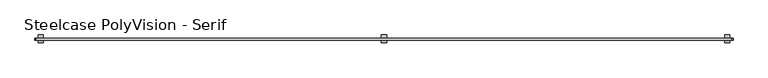
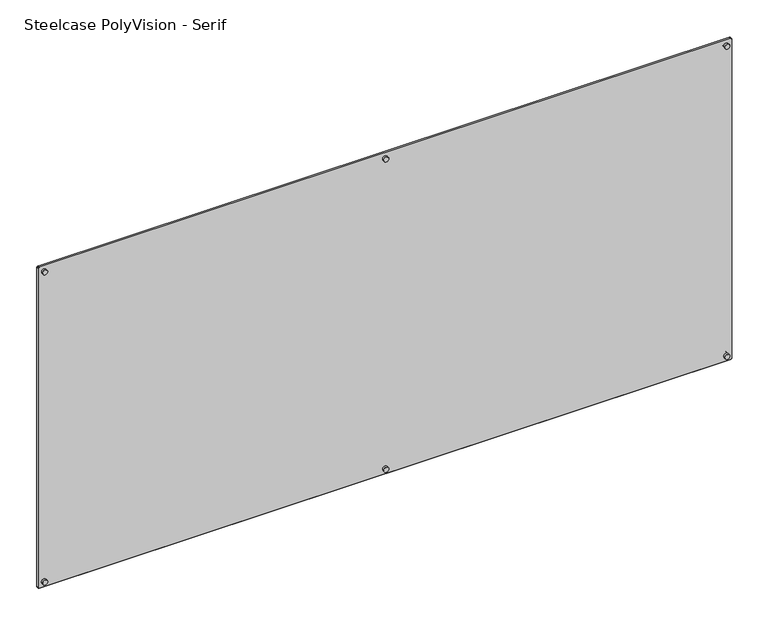
"""IFC4 building model written with IfcOpenShell, lengths in millimetres: furniture geometry, Steelcase PolyVision - Serif."""

from ifc_helpers import new_model, si_unit, point, frame, frame_2d, origin, place, context, project, spatial, polyline, circle_curve, trimmed, segment, composite_curve, outline, extrude, source, transform, mapped, element, save


def steelcase_polyvision_serif_7f865411(model_context):
    return source(origin(), model_context, "Body", "SweptSolid", [
        extrude(outline(composite_curve([segment(trimmed(circle_curve(frame_2d((1834.896, 1210.056)), 8.89), [point((1834.896, 1218.946))], [point((1834.896, 1201.166))], False, "CARTESIAN"), True, "CONTINUOUS"), segment(trimmed(circle_curve(frame_2d((1834.896, 1210.056)), 8.89), [point((1834.896, 1201.166))], [point((1834.896, 1218.946))], False, "CARTESIAN"), True, "CONTINUOUS")], self_intersect=False)), frame((0.0, -10.5767859, 0.0), z_axis=(0.0, 1.0, 0.0), x_axis=(0.0, 0.0, 1.0)), (0.0, 0.0, 1.0), 11.7599214),
        extrude(outline(composite_curve([segment(trimmed(circle_curve(frame_2d((690.118, 1210.056)), 8.89), [point((690.118, 1218.946))], [point((690.118, 1201.166))], False, "CARTESIAN"), True, "CONTINUOUS"), segment(trimmed(circle_curve(frame_2d((690.118, 1210.056)), 8.89), [point((690.118, 1201.166))], [point((690.118, 1218.946))], False, "CARTESIAN"), True, "CONTINUOUS")], self_intersect=False)), frame((0.0, -10.5767859, 0.0), z_axis=(0.0, 1.0, 0.0), x_axis=(0.0, 0.0, 1.0)), (0.0, 0.0, 1.0), 11.7599214),
        extrude(outline(composite_curve([segment(trimmed(circle_curve(frame_2d((1834.896, 1210.056)), 8.89), [point((1834.896, 1218.946))], [point((1834.896, 1201.166))], False, "CARTESIAN"), True, "CONTINUOUS"), segment(trimmed(circle_curve(frame_2d((1834.896, 1210.056)), 8.89), [point((1834.896, 1201.166))], [point((1834.896, 1218.946))], False, "CARTESIAN"), True, "CONTINUOUS")], self_intersect=False)), frame((0.0, -25.8776038, 0.0), z_axis=(0.0, 1.0, 0.0), x_axis=(0.0, 0.0, 1.0)), (0.0, 0.0, 1.0), 8.0006457),
        extrude(outline(composite_curve([segment(trimmed(circle_curve(frame_2d((690.118, 1210.056)), 8.89), [point((690.118, 1218.946))], [point((690.118, 1201.166))], False, "CARTESIAN"), True, "CONTINUOUS"), segment(trimmed(circle_curve(frame_2d((690.118, 1210.056)), 8.89), [point((690.118, 1201.166))], [point((690.118, 1218.946))], False, "CARTESIAN"), True, "CONTINUOUS")], self_intersect=False)), frame((0.0, -25.8776038, 0.0), z_axis=(0.0, 1.0, 0.0), x_axis=(0.0, 0.0, 1.0)), (0.0, 0.0, 1.0), 8.0006457),
        extrude(outline(composite_curve([segment(trimmed(circle_curve(frame_2d((1834.896, 20.006283)), 8.6933487), [point((1834.896, 28.6996317))], [point((1834.896, 11.3129344))], False, "CARTESIAN"), True, "CONTINUOUS"), segment(trimmed(circle_curve(frame_2d((1834.896, 20.006283)), 8.6933487), [point((1834.896, 11.3129344))], [point((1834.896, 28.6996317))], False, "CARTESIAN"), True, "CONTINUOUS")], self_intersect=False)), frame((0.0, -10.5767859, 0.0), z_axis=(0.0, 1.0, 0.0), x_axis=(0.0, 0.0, 1.0)), (0.0, 0.0, 1.0), 11.7599214),
        extrude(outline(composite_curve([segment(trimmed(circle_curve(frame_2d((690.118, 20.006283)), 8.89), [point((690.118, 28.896283))], [point((690.118, 11.116283))], False, "CARTESIAN"), True, "CONTINUOUS"), segment(trimmed(circle_curve(frame_2d((690.118, 20.006283)), 8.89), [point((690.118, 11.116283))], [point((690.118, 28.896283))], False, "CARTESIAN"), True, "CONTINUOUS")], self_intersect=False)), frame((0.0, -10.5767859, 0.0), z_axis=(0.0, 1.0, 0.0), x_axis=(0.0, 0.0, 1.0)), (0.0, 0.0, 1.0), 11.7599214),
        extrude(outline(composite_curve([segment(trimmed(circle_curve(frame_2d((1834.896, 2400.105717)), 8.6933487), [point((1834.896, 2408.7990656))], [point((1834.896, 2391.4123683))], False, "CARTESIAN"), True, "CONTINUOUS"), segment(trimmed(circle_curve(frame_2d((1834.896, 2400.105717)), 8.6933487), [point((1834.896, 2391.4123683))], [point((1834.896, 2408.7990656))], False, "CARTESIAN"), True, "CONTINUOUS")], self_intersect=False)), frame((0.0, -10.5767859, 0.0), z_axis=(0.0, 1.0, 0.0), x_axis=(0.0, 0.0, 1.0)), (0.0, 0.0, 1.0), 11.7599214),
        extrude(outline(composite_curve([segment(trimmed(circle_curve(frame_2d((690.118, 2400.105717)), 8.89), [point((690.118, 2408.995717))], [point((690.118, 2391.215717))], False, "CARTESIAN"), True, "CONTINUOUS"), segment(trimmed(circle_curve(frame_2d((690.118, 2400.105717)), 8.89), [point((690.118, 2391.215717))], [point((690.118, 2408.995717))], False, "CARTESIAN"), True, "CONTINUOUS")], self_intersect=False)), frame((0.0, -10.5767859, 0.0), z_axis=(0.0, 1.0, 0.0), x_axis=(0.0, 0.0, 1.0)), (0.0, 0.0, 1.0), 11.7599214),
        extrude(outline(composite_curve([segment(trimmed(circle_curve(frame_2d((1834.896, 20.006283)), 8.6933487), [point((1834.896, 28.6996317))], [point((1834.896, 11.3129344))], False, "CARTESIAN"), True, "CONTINUOUS"), segment(trimmed(circle_curve(frame_2d((1834.896, 20.006283)), 8.6933487), [point((1834.896, 11.3129344))], [point((1834.896, 28.6996317))], False, "CARTESIAN"), True, "CONTINUOUS")], self_intersect=False)), frame((0.0, -25.8776038, 0.0), z_axis=(0.0, 1.0, 0.0), x_axis=(0.0, 0.0, 1.0)), (0.0, 0.0, 1.0), 8.0006457),
        extrude(outline(composite_curve([segment(trimmed(circle_curve(frame_2d((690.118, 20.006283)), 8.89), [point((690.118, 28.896283))], [point((690.118, 11.116283))], False, "CARTESIAN"), True, "CONTINUOUS"), segment(trimmed(circle_curve(frame_2d((690.118, 20.006283)), 8.89), [point((690.118, 11.116283))], [point((690.118, 28.896283))], False, "CARTESIAN"), True, "CONTINUOUS")], self_intersect=False)), frame((0.0, -25.8776038, 0.0), z_axis=(0.0, 1.0, 0.0), x_axis=(0.0, 0.0, 1.0)), (0.0, 0.0, 1.0), 8.0006457),
        extrude(outline(composite_curve([segment(trimmed(circle_curve(frame_2d((1834.896, 2400.105717)), 8.6933487), [point((1834.896, 2408.7990656))], [point((1834.896, 2391.4123683))], False, "CARTESIAN"), True, "CONTINUOUS"), segment(trimmed(circle_curve(frame_2d((1834.896, 2400.105717)), 8.6933487), [point((1834.896, 2391.4123683))], [point((1834.896, 2408.7990656))], False, "CARTESIAN"), True, "CONTINUOUS")], self_intersect=False)), frame((0.0, -25.8776038, 0.0), z_axis=(0.0, 1.0, 0.0), x_axis=(0.0, 0.0, 1.0)), (0.0, 0.0, 1.0), 8.0006457),
        extrude(outline(composite_curve([segment(trimmed(circle_curve(frame_2d((690.118, 2400.105717)), 8.89), [point((690.118, 2408.995717))], [point((690.118, 2391.215717))], False, "CARTESIAN"), True, "CONTINUOUS"), segment(trimmed(circle_curve(frame_2d((690.118, 2400.105717)), 8.89), [point((690.118, 2391.215717))], [point((690.118, 2408.995717))], False, "CARTESIAN"), True, "CONTINUOUS")], self_intersect=False)), frame((0.0, -25.8776038, 0.0), z_axis=(0.0, 1.0, 0.0), x_axis=(0.0, 0.0, 1.0)), (0.0, 0.0, 1.0), 8.0006457),
        extrude(outline(composite_curve([segment(polyline([(1850.898, 0.254), (674.116, 0.254)]), True, "CONTINUOUS"), segment(trimmed(circle_curve(frame_2d((674.116, 4.064)), 3.81), [point((674.116, 0.254))], [point((670.306, 4.064))], False, "CARTESIAN"), True, "CONTINUOUS"), segment(polyline([(670.306, 4.064), (670.306, 2416.048)]), True, "CONTINUOUS"), segment(trimmed(circle_curve(frame_2d((674.116, 2416.048)), 3.81), [point((670.306, 2416.048))], [point((674.116, 2419.858))], False, "CARTESIAN"), True, "CONTINUOUS"), segment(polyline([(674.116, 2419.858), (1850.898, 2419.858)]), True, "CONTINUOUS"), segment(trimmed(circle_curve(frame_2d((1850.898, 2416.048)), 3.81), [point((1850.898, 2419.858))], [point((1854.708, 2416.048))], False, "CARTESIAN"), True, "CONTINUOUS"), segment(polyline([(1854.708, 2416.048), (1854.708, 4.064)]), True, "CONTINUOUS"), segment(trimmed(circle_curve(frame_2d((1850.898, 4.064)), 3.81), [point((1854.708, 4.064))], [point((1850.898, 0.254))], False, "CARTESIAN"), True, "CONTINUOUS")], self_intersect=False)), frame((0.0, -17.8769581, 0.0), z_axis=(0.0, 1.0, 0.0), x_axis=(0.0, 0.0, 1.0)), (0.0, 0.0, 1.0), 7.3001721),
        extrude(outline(composite_curve([segment(polyline([(1854.962, 2416.048), (1854.962, 4.064)]), True, "CONTINUOUS"), segment(trimmed(circle_curve(frame_2d((1850.898, 4.064)), 4.064), [point((1854.962, 4.064))], [point((1850.898, 0.0))], False, "CARTESIAN"), True, "CONTINUOUS"), segment(polyline([(1850.898, 0.0), (674.116, 0.0)]), True, "CONTINUOUS"), segment(trimmed(circle_curve(frame_2d((674.116, 4.064)), 4.064), [point((674.116, 0.0))], [point((670.052, 4.064))], False, "CARTESIAN"), True, "CONTINUOUS"), segment(polyline([(670.052, 4.064), (670.052, 2416.048)]), True, "CONTINUOUS"), segment(trimmed(circle_curve(frame_2d((674.116, 2416.048)), 4.064), [point((670.052, 2416.048))], [point((674.116, 2420.112))], False, "CARTESIAN"), True, "CONTINUOUS"), segment(polyline([(674.116, 2420.112), (1850.898, 2420.112)]), True, "CONTINUOUS"), segment(trimmed(circle_curve(frame_2d((1850.898, 2416.048)), 4.064), [point((1850.898, 2420.112))], [point((1854.962, 2416.048))], False, "CARTESIAN"), True, "CONTINUOUS")], self_intersect=False), holes=[composite_curve([segment(trimmed(circle_curve(frame_2d((1850.898, 4.064)), 3.81), [point((1850.898, 0.254))], [point((1854.708, 4.064))], True, "CARTESIAN"), True, "CONTINUOUS"), segment(polyline([(1854.708, 4.064), (1854.708, 2416.048)]), True, "CONTINUOUS"), segment(trimmed(circle_curve(frame_2d((1850.898, 2416.048)), 3.81), [point((1854.708, 2416.048))], [point((1850.898, 2419.858))], True, "CARTESIAN"), True, "CONTINUOUS"), segment(polyline([(1850.898, 2419.858), (674.116, 2419.858)]), True, "CONTINUOUS"), segment(trimmed(circle_curve(frame_2d((674.116, 2416.048)), 3.81), [point((674.116, 2419.858))], [point((670.306, 2416.048))], True, "CARTESIAN"), True, "CONTINUOUS"), segment(polyline([(670.306, 2416.048), (670.306, 4.064)]), True, "CONTINUOUS"), segment(trimmed(circle_curve(frame_2d((674.116, 4.064)), 3.81), [point((670.306, 4.064))], [point((674.116, 0.254))], True, "CARTESIAN"), True, "CONTINUOUS"), segment(polyline([(674.116, 0.254), (1850.898, 0.254)]), True, "CONTINUOUS")], self_intersect=False)]), frame((0.0, -17.8769581, 0.0), z_axis=(0.0, 1.0, 0.0), x_axis=(0.0, 0.0, 1.0)), (0.0, 0.0, 1.0), 7.3001721),
    ])


if __name__ == "__main__":
    model = new_model("IFC4")
    model_context = context("Model", 3, world=origin())
    ifc_project = project(units=[si_unit("LENGTHUNIT", "METRE", prefix="MILLI")], contexts=[model_context])
    site = spatial("IfcSite", under=ifc_project)
    building = spatial("IfcBuilding", under=site)
    placement = place(None, origin())
    steelcase_polyvision_serif_shape = steelcase_polyvision_serif_7f865411(model_context)
    element("IfcFurniture", 1, ObjectType="Steelcase PolyVision - Serif", at=placement, inside=building, context=model_context, shape_type="MappedRepresentation", body=[
        mapped(steelcase_polyvision_serif_shape, transform((0.0, 0.0, 0.0), x_axis=(1.0, 0.0, 0.0), y_axis=(0.0, 1.0, 0.0), z_axis=(0.0, 0.0, 1.0))),
    ])
    save(model, "model.ifc")
